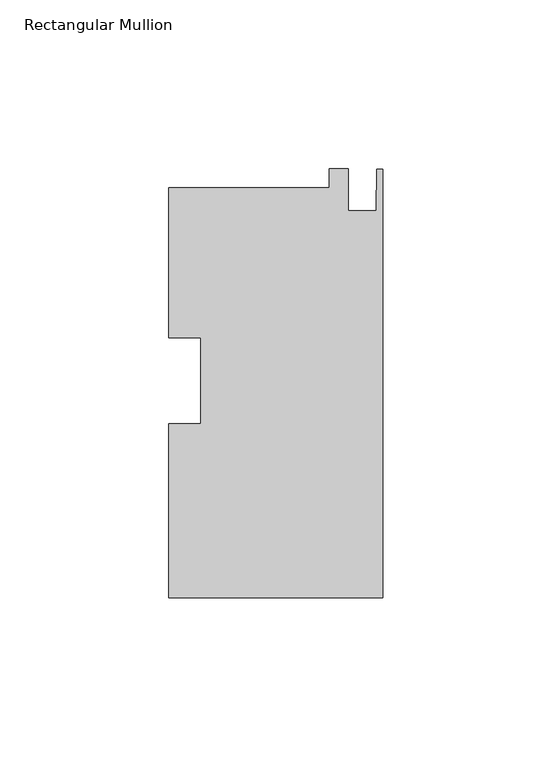
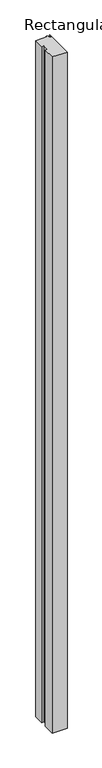
"""IFC4 building model written with IfcOpenShell, lengths in millimetres: member geometry, Rectangular Mullion."""

from ifc_helpers import new_model, si_unit, frame, origin, place, context, project, spatial, polyline, outline, extrude, source, transform, mapped, element, save


def rectangular_mullion_5691ed72(model_context):
    return source(origin(), model_context, "Body", "SweptSolid", [
        extrude(outline(polyline([(-63.5, -64.2474326), (-63.5, -12.74314), (-53.975, -12.74314), (-53.975, 12.7727266), (-63.5, 12.7727266), (-63.5, 57.1899674), (-15.875, 57.1899674), (-15.875, 62.8984768), (-10.3124, 62.8984768), (-10.3124, 50.4081674), (-2.032, 50.4081674), (-1.778, 62.7525674), (0.0, 62.7525674), (0.0, -64.2474326), (-63.5, -64.2474326)])), frame((0.0, 0.0, -3048.0), z_axis=(0.0, 0.0, 1.0), x_axis=(1.0, 0.0, 0.0)), (0.0, 0.0, 1.0), 3048.0),
    ])


if __name__ == "__main__":
    model = new_model("IFC4")
    model_context = context("Model", 3, world=origin())
    ifc_project = project(units=[si_unit("LENGTHUNIT", "METRE", prefix="MILLI")], contexts=[model_context])
    site = spatial("IfcSite", under=ifc_project)
    building = spatial("IfcBuilding", under=site)
    placement = place(None, origin())
    rectangular_mullion_shape = rectangular_mullion_5691ed72(model_context)
    element("IfcMember", 1, ObjectType="Rectangular Mullion", at=placement, inside=building, context=model_context, shape_type="MappedRepresentation", body=[
        mapped(rectangular_mullion_shape, transform((0.0, 0.0, 0.0), x_axis=(1.0, 0.0, 0.0), y_axis=(0.0, 1.0, 0.0), z_axis=(0.0, 0.0, 1.0))),
    ])
    save(model, "model.ifc")
